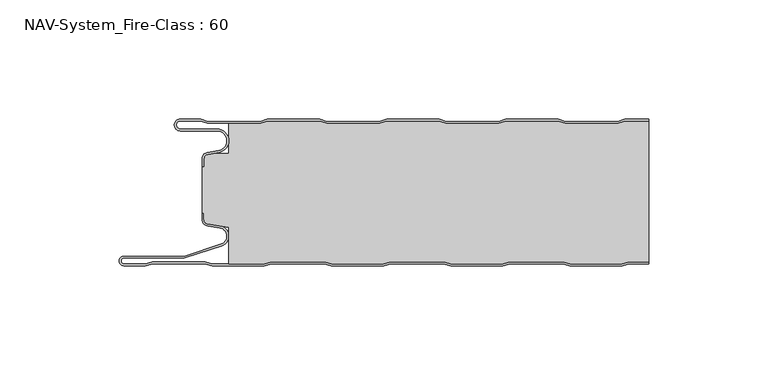
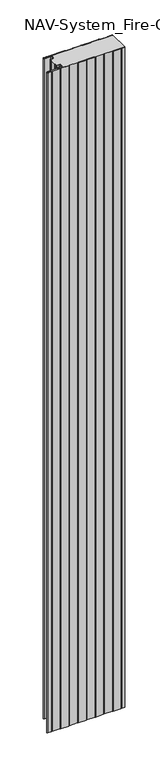
"""IFC4 building model written with IfcOpenShell, lengths in millimetres: plate geometry, NAV-System_Fire-Class : 60."""

from ifc_helpers import new_model, si_unit, frame, origin, place, context, project, spatial, polyline, circle_curve, source, transform, mapped, element, save
from ifc_brep_helpers import plane_surface, cylinder_surface, revolved_surface, advanced_brep


def nav_system_fire_class_60_ad63fec4(model_context):
    return source(origin(), model_context, "Body", "AdvancedBrep", [
        advanced_brep(
        [(-88.6298221, -0.8, 0.0), (-97.0000001, -0.8, 0.0), (-97.0000001, -4.1999999, 0.0), (-81.6002086, -4.1999999, 0.0), (-80.7423864, -14.0049502, 0.0), (-85.6125665, -14.8636946, 0.0), (-87.1000004, -16.6363494, 0.0), (-87.1000014, -19.9421291, 0.0), (-87.9000014, -19.9421291, 0.0), (-87.9000014, -16.6363484, 0.0), (-85.7514853, -14.0758488, 0.0), (-80.8813015, -13.217104, 0.0), (-81.600205, -4.9999999, 0.0), (-97.0000001, -4.9999999, 0.0), (-97.0000001, 0.0, 0.0), (-88.5, 0.0, 0.0), (-85.5, -1.0, 0.0), (-63.5, -1.0, 0.0), (-60.5, 0.0, 0.0), (-38.5, 0.0, 0.0), (-35.5, -1.0, 0.0), (-13.5, -1.0, 0.0), (-10.5, 0.0, 0.0), (11.5, 0.0, 0.0), (14.5, -1.0, 0.0), (36.5, -1.0, 0.0), (39.5, 0.0, 0.0), (61.5, 0.0, 0.0), (64.5, -1.0, 0.0), (86.5, -1.0, 0.0), (89.5, 0.0, 0.0), (99.5, 0.0, 0.0), (99.5, -0.8, 0.0), (89.6298221, -0.8, 0.0), (86.6298221, -1.8, 0.0), (64.3701779, -1.8, 0.0), (61.3701779, -0.8, 0.0), (39.6298221, -0.8, 0.0), (36.6298221, -1.8, 0.0), (14.3701779, -1.8, 0.0), (11.3701779, -0.8, 0.0), (-10.3701779, -0.8, 0.0), (-13.3701779, -1.8, 0.0), (-35.6298221, -1.8, 0.0), (-38.6298221, -0.8, 0.0), (-60.3701779, -0.8, 0.0), (-63.3701779, -1.8, 0.0), (-85.6298221, -1.8, 0.0), (-88.6298221, -0.8, 2000.0), (-85.6298221, -1.8, 2000.0), (-63.3701779, -1.8, 2000.0), (-60.3701779, -0.8, 2000.0), (-38.6298221, -0.8, 2000.0), (-35.6298221, -1.8, 2000.0), (-13.3701779, -1.8, 2000.0), (-10.3701779, -0.8, 2000.0), (11.3701779, -0.8, 2000.0), (14.3701779, -1.8, 2000.0), (36.6298221, -1.8, 2000.0), (39.6298221, -0.8, 2000.0), (61.3701779, -0.8, 2000.0), (64.3701779, -1.8, 2000.0), (86.6298221, -1.8, 2000.0), (89.6298221, -0.8, 2000.0), (99.5, -0.8, 2000.0), (99.5, 0.0, 2000.0), (89.5, 0.0, 2000.0), (86.5, -1.0, 2000.0), (64.5, -1.0, 2000.0), (61.5, 0.0, 2000.0), (39.5, 0.0, 2000.0), (36.5, -1.0, 2000.0), (14.5, -1.0, 2000.0), (11.5, 0.0, 2000.0), (-10.5, 0.0, 2000.0), (-13.5, -1.0, 2000.0), (-35.5, -1.0, 2000.0), (-38.5, 0.0, 2000.0), (-60.5, 0.0, 2000.0), (-63.5, -1.0, 2000.0), (-85.5, -1.0, 2000.0), (-88.5, 0.0, 2000.0), (-97.0000001, 0.0, 2000.0), (-97.0000001, -4.9999999, 2000.0), (-81.600205, -4.9999999, 2000.0), (-80.8813015, -13.217104, 2000.0), (-85.7514853, -14.0758488, 2000.0), (-87.8999997, -16.6363484, 2000.0), (-87.9000014, -19.9421291, 2000.0), (-87.1000014, -19.9421291, 2000.0), (-87.1000014, -16.6363494, 2000.0), (-85.6125665, -14.8636946, 2000.0), (-80.7423864, -14.0049502, 2000.0), (-81.6002086, -4.1999999, 2000.0), (-97.0000001, -4.1999999, 2000.0), (-97.0000001, -0.8000002, 2000.0)],
        [
            (0, 1),
            (1, 2, circle_curve(frame((-97.0000001, -2.5, 0.0), z_axis=(0.0, 0.0, 1.0), x_axis=(1.0, 0.0, 0.0)), 1.6999999)),
            (2, 3),
            (3, 4, circle_curve(frame((-81.6002086, -9.1399999, 0.0), z_axis=(0.0, 0.0, -1.0), x_axis=(1.0, 0.0, 0.0)), 4.94)),
            (4, 5),
            (5, 6, circle_curve(frame((-85.2999995, -16.6363494, 0.0), z_axis=(0.0, 0.0, 1.0), x_axis=(1.0, 0.0, 0.0)), 1.8000009)),
            (6, 7),
            (7, 8),
            (8, 9),
            (9, 10, circle_curve(frame((-85.3000002, -16.6363484, 0.0), z_axis=(0.0, 0.0, -1.0), x_axis=(1.0, 0.0, 0.0)), 2.5999995)),
            (10, 11),
            (11, 12, circle_curve(frame((-81.600205, -9.1399999, 0.0), z_axis=(0.0, 0.0, 1.0), x_axis=(1.0, 0.0, 0.0)), 4.14)),
            (12, 13),
            (13, 14, circle_curve(frame((-97.0000001, -2.4999999, 0.0), z_axis=(0.0, 0.0, -1.0), x_axis=(1.0, 0.0, 0.0)), 2.4999999)),
            (14, 15),
            (15, 16),
            (16, 17),
            (17, 18),
            (18, 19),
            (19, 20),
            (20, 21),
            (21, 22),
            (22, 23),
            (23, 24),
            (24, 25),
            (25, 26),
            (26, 27),
            (27, 28),
            (28, 29),
            (29, 30),
            (30, 31),
            (31, 32),
            (32, 33),
            (33, 34),
            (34, 35),
            (35, 36),
            (36, 37),
            (37, 38),
            (38, 39),
            (39, 40),
            (40, 41),
            (41, 42),
            (42, 43),
            (43, 44),
            (44, 45),
            (45, 46),
            (46, 47),
            (47, 0),
            (48, 49),
            (49, 50),
            (50, 51),
            (51, 52),
            (52, 53),
            (53, 54),
            (54, 55),
            (55, 56),
            (56, 57),
            (57, 58),
            (58, 59),
            (59, 60),
            (60, 61),
            (61, 62),
            (62, 63),
            (63, 64),
            (64, 65),
            (65, 66),
            (66, 67),
            (67, 68),
            (68, 69),
            (69, 70),
            (70, 71),
            (71, 72),
            (72, 73),
            (73, 74),
            (74, 75),
            (75, 76),
            (76, 77),
            (77, 78),
            (78, 79),
            (79, 80),
            (80, 81),
            (81, 82),
            (82, 83, circle_curve(frame((-97.0000001, -2.4999999, 2000.0), z_axis=(0.0, 0.0, 1.0), x_axis=(1.0, 0.0, 0.0)), 2.4999999)),
            (83, 84),
            (84, 85, circle_curve(frame((-81.600205, -9.1399999, 2000.0), z_axis=(0.0, 0.0, -1.0), x_axis=(1.0, 0.0, 0.0)), 4.14)),
            (85, 86),
            (86, 87, circle_curve(frame((-85.3000002, -16.6363484, 2000.0), z_axis=(0.0, 0.0, 1.0), x_axis=(1.0, 0.0, 0.0)), 2.5999995)),
            (87, 88),
            (88, 89),
            (89, 90),
            (90, 91, circle_curve(frame((-85.2999995, -16.6363494, 2000.0), z_axis=(0.0, 0.0, -1.0), x_axis=(1.0, 0.0, 0.0)), 1.8000009)),
            (91, 92),
            (92, 93, circle_curve(frame((-81.6002086, -9.1399999, 2000.0), z_axis=(0.0, 0.0, 1.0), x_axis=(1.0, 0.0, 0.0)), 4.94)),
            (93, 94),
            (94, 95, circle_curve(frame((-97.0000001, -2.5, 2000.0), z_axis=(0.0, 0.0, -1.0), x_axis=(1.0, 0.0, 0.0)), 1.6999999)),
            (95, 48),
            (0, 48),
            (95, 1),
            (14, 82),
            (81, 15),
            (63, 33),
            (32, 64),
            (62, 34),
            (61, 35),
            (60, 36),
            (59, 37),
            (58, 38),
            (57, 39),
            (56, 40),
            (55, 41),
            (54, 42),
            (53, 43),
            (52, 44),
            (51, 45),
            (50, 46),
            (49, 47),
            (80, 16),
            (79, 17),
            (78, 18),
            (77, 19),
            (76, 20),
            (75, 21),
            (74, 22),
            (73, 23),
            (72, 24),
            (71, 25),
            (70, 26),
            (69, 27),
            (68, 28),
            (67, 29),
            (66, 30),
            (65, 31),
            (2, 94),
            (93, 3),
            (6, 90),
            (89, 7),
            (88, 8),
            (87, 9),
            (12, 84),
            (83, 13),
            (92, 4),
            (91, 5),
            (86, 10),
            (85, 11),
        ],
        [
            plane_surface(frame((-99.5, 0.0, 0.0), z_axis=(0.0, 0.0, -1.0), x_axis=(0.0, -1.0, 0.0))),
            plane_surface(frame((-99.5, 0.0, 2000.0), z_axis=(0.0, 0.0, 1.0), x_axis=(0.0, -1.0, 0.0))),
            plane_surface(frame((-88.6298221, -0.8, 0.0), z_axis=(0.0, -1.0, 0.0), x_axis=(0.0, 0.0, 1.0))),
            plane_surface(frame((-97.0000001, 0.0, 0.0), z_axis=(0.0, 1.0, 0.0), x_axis=(0.0, 0.0, 1.0))),
            plane_surface(frame((111.3701779, -0.8, 0.0), z_axis=(0.0, -1.0, 0.0), x_axis=(0.0, 0.0, 1.0))),
            plane_surface(frame((89.6298221, -0.8, 0.0), z_axis=(0.3162277660167413, -0.9486832980505461, 0.0), x_axis=(0.0, 0.0, 1.0))),
            plane_surface(frame((86.6298221, -1.8, 0.0), z_axis=(0.0, -1.0, 0.0), x_axis=(0.0, 0.0, 1.0))),
            plane_surface(frame((64.3701779, -1.8, 0.0), z_axis=(-0.31622776601675356, -0.948683298050542, 0.0), x_axis=(0.0, 0.0, 1.0))),
            plane_surface(frame((61.3701779, -0.8, 0.0), z_axis=(0.0, -1.0, 0.0), x_axis=(0.0, 0.0, 1.0))),
            plane_surface(frame((39.6298221, -0.8, 0.0), z_axis=(0.31622776601679226, -0.9486832980505291, 0.0), x_axis=(0.0, 0.0, 1.0))),
            plane_surface(frame((36.6298221, -1.8, 0.0), z_axis=(0.0, -1.0, 0.0), x_axis=(0.0, 0.0, 1.0))),
            plane_surface(frame((14.3701779, -1.8, 0.0), z_axis=(-0.3162277660168045, -0.948683298050525, 0.0), x_axis=(0.0, 0.0, 1.0))),
            plane_surface(frame((11.3701779, -0.8, 0.0), z_axis=(0.0, -1.0, 0.0), x_axis=(0.0, 0.0, 1.0))),
            plane_surface(frame((-10.3701779, -0.8, 0.0), z_axis=(0.31622776601679226, -0.9486832980505291, 0.0), x_axis=(0.0, 0.0, 1.0))),
            plane_surface(frame((-13.3701779, -1.8, 0.0), z_axis=(0.0, -1.0, 0.0), x_axis=(0.0, 0.0, 1.0))),
            plane_surface(frame((-35.6298221, -1.8, 0.0), z_axis=(-0.3162277660168045, -0.948683298050525, 0.0), x_axis=(0.0, 0.0, 1.0))),
            plane_surface(frame((-38.6298221, -0.8, 0.0), z_axis=(0.0, -1.0, 0.0), x_axis=(0.0, 0.0, 1.0))),
            plane_surface(frame((-60.3701779, -0.8, 0.0), z_axis=(0.3162277660167413, -0.9486832980505461, 0.0), x_axis=(0.0, 0.0, 1.0))),
            plane_surface(frame((-63.3701779, -1.8, 0.0), z_axis=(0.0, -1.0, 0.0), x_axis=(0.0, 0.0, 1.0))),
            plane_surface(frame((-85.6298221, -1.8, 0.0), z_axis=(-0.3162277660167413, -0.9486832980505461, 0.0), x_axis=(0.0, 0.0, 1.0))),
            plane_surface(frame((-88.5, 0.0, 0.0), z_axis=(0.31622776601671865, 0.9486832980505536, 0.0), x_axis=(0.0, 0.0, 1.0))),
            plane_surface(frame((-85.5, -1.0, 0.0), z_axis=(0.0, 1.0, 0.0), x_axis=(0.0, 0.0, 1.0))),
            plane_surface(frame((-63.5, -1.0, 0.0), z_axis=(-0.31622776601671865, 0.9486832980505536, 0.0), x_axis=(0.0, 0.0, 1.0))),
            plane_surface(frame((-60.5, 0.0, 0.0), z_axis=(0.0, 1.0, 0.0), x_axis=(0.0, 0.0, 1.0))),
            plane_surface(frame((-38.5, 0.0, 0.0), z_axis=(0.31622776601678754, 0.9486832980505306, 0.0), x_axis=(0.0, 0.0, 1.0))),
            plane_surface(frame((-35.5, -1.0, 0.0), z_axis=(0.0, 1.0, 0.0), x_axis=(0.0, 0.0, 1.0))),
            plane_surface(frame((-13.5, -1.0, 0.0), z_axis=(-0.3162277660167752, 0.9486832980505348, 0.0), x_axis=(0.0, 0.0, 1.0))),
            plane_surface(frame((-10.5, 0.0, 0.0), z_axis=(0.0, 1.0, 0.0), x_axis=(0.0, 0.0, 1.0))),
            plane_surface(frame((11.5, 0.0, 0.0), z_axis=(0.31622776601678754, 0.9486832980505306, 0.0), x_axis=(0.0, 0.0, 1.0))),
            plane_surface(frame((14.5, -1.0, 0.0), z_axis=(0.0, 1.0, 0.0), x_axis=(0.0, 0.0, 1.0))),
            plane_surface(frame((36.5, -1.0, 0.0), z_axis=(-0.3162277660167752, 0.9486832980505348, 0.0), x_axis=(0.0, 0.0, 1.0))),
            plane_surface(frame((39.5, 0.0, 0.0), z_axis=(0.0, 1.0, 0.0), x_axis=(0.0, 0.0, 1.0))),
            plane_surface(frame((61.5, 0.0, 0.0), z_axis=(0.3162277660167309, 0.9486832980505495, 0.0), x_axis=(0.0, 0.0, 1.0))),
            plane_surface(frame((64.5, -1.0, 0.0), z_axis=(0.0, 1.0, 0.0), x_axis=(0.0, 0.0, 1.0))),
            plane_surface(frame((86.5, -1.0, 0.0), z_axis=(-0.31622776601671865, 0.9486832980505536, 0.0), x_axis=(0.0, 0.0, 1.0))),
            plane_surface(frame((89.5, 0.0, 0.0), z_axis=(0.0, 1.0, 0.0), x_axis=(0.0, 0.0, 1.0))),
            plane_surface(frame((-97.0000001, -4.1999999, 0.0), z_axis=(0.0, 1.0, 0.0), x_axis=(0.0, 0.0, 1.0))),
            plane_surface(frame((-87.1000014, -16.6363494, 0.0), z_axis=(1.0, 0.0, 0.0), x_axis=(0.0, 0.0, 1.0))),
            plane_surface(frame((-87.1000014, -19.9421291, 0.0), z_axis=(0.0, -1.0, 0.0), x_axis=(0.0, 0.0, 1.0))),
            plane_surface(frame((-87.9000014, -19.9421291, 0.0), z_axis=(-1.0, 0.0, 0.0), x_axis=(0.0, 0.0, 1.0))),
            plane_surface(frame((-81.600205, -4.9999999, 0.0), z_axis=(0.0, -1.0, 0.0), x_axis=(0.0, 0.0, 1.0))),
            revolved_surface(polyline([(-95.3000002, -2.5, 2000.0), (-95.3000002, -2.5, 0.0)]), (-97.0000001, -2.5, 0.0), (0.0, 0.0, 1.0)),
            cylinder_surface(frame((-81.6002086, -9.1399999, 0.0), z_axis=(0.0, 0.0, -1.0), x_axis=(1.0, 0.0, 0.0)), 4.94),
            plane_surface(frame((-80.7423864, -14.0049502, 0.0), z_axis=(0.17364822279076972, -0.9848077450556567, 0.0), x_axis=(0.0, 0.0, 1.0))),
            revolved_surface(polyline([(-83.4999986, -16.6363494, 2000.0), (-83.4999986, -16.6363494, 0.0)]), (-85.2999995, -16.6363494, 0.0), (0.0, 0.0, 1.0)),
            cylinder_surface(frame((-85.3000002, -16.6363484, 0.0), z_axis=(0.0, 0.0, -1.0), x_axis=(1.0, 0.0, 0.0)), 2.5999995),
            plane_surface(frame((-85.7514853, -14.0758488, 0.0), z_axis=(-0.17364817295915452, 0.984807753842316, 0.0), x_axis=(0.0, 0.0, 1.0))),
            revolved_surface(polyline([(-77.460205, -9.1399999, 2000.0), (-77.460205, -9.1399999, 0.0)]), (-81.600205, -9.1399999, 0.0), (0.0, 0.0, 1.0)),
            cylinder_surface(frame((-97.0000001, -2.4999999, 0.0), z_axis=(0.0, 0.0, -1.0), x_axis=(1.0, 0.0, 0.0)), 2.4999999),
            plane_surface(frame((99.5, 100.0, 2000.0), z_axis=(1.0, 0.0, 0.0), x_axis=(0.0, 0.0, -1.0))),
        ],
        [
            (0, [[1, 2, 3, 4, 5, 6, 7, 8, 9, 10, 11, 12, 13, 14, 15, 16, 17, 18, 19, 20, 21, 22, 23, 24, 25, 26, 27, 28, 29, 30, 31, 32, 33, 34, 35, 36, 37, 38, 39, 40, 41, 42, 43, 44, 45, 46, 47, 48]]),
            (1, [[49, 50, 51, 52, 53, 54, 55, 56, 57, 58, 59, 60, 61, 62, 63, 64, 65, 66, 67, 68, 69, 70, 71, 72, 73, 74, 75, 76, 77, 78, 79, 80, 81, 82, 83, 84, 85, 86, 87, 88, 89, 90, 91, 92, 93, 94, 95, 96]]),
            (2, [[-1, 97, -96, 98]]),
            (3, [[-15, 99, -82, 100]]),
            (4, [[101, -33, 102, -64]]),
            (5, [[-34, -101, -63, 103]]),
            (6, [[-35, -103, -62, 104]]),
            (7, [[-36, -104, -61, 105]]),
            (8, [[-37, -105, -60, 106]]),
            (9, [[-38, -106, -59, 107]]),
            (10, [[-39, -107, -58, 108]]),
            (11, [[-40, -108, -57, 109]]),
            (12, [[-41, -109, -56, 110]]),
            (13, [[-42, -110, -55, 111]]),
            (14, [[-43, -111, -54, 112]]),
            (15, [[-44, -112, -53, 113]]),
            (16, [[-45, -113, -52, 114]]),
            (17, [[-46, -114, -51, 115]]),
            (18, [[-47, -115, -50, 116]]),
            (19, [[-48, -116, -49, -97]]),
            (20, [[-16, -100, -81, 117]]),
            (21, [[-17, -117, -80, 118]]),
            (22, [[-18, -118, -79, 119]]),
            (23, [[-19, -119, -78, 120]]),
            (24, [[-20, -120, -77, 121]]),
            (25, [[-21, -121, -76, 122]]),
            (26, [[-22, -122, -75, 123]]),
            (27, [[-23, -123, -74, 124]]),
            (28, [[-24, -124, -73, 125]]),
            (29, [[-25, -125, -72, 126]]),
            (30, [[-26, -126, -71, 127]]),
            (31, [[-27, -127, -70, 128]]),
            (32, [[-28, -128, -69, 129]]),
            (33, [[-29, -129, -68, 130]]),
            (34, [[-30, -130, -67, 131]]),
            (35, [[-131, -66, 132, -31]]),
            (36, [[-3, 133, -94, 134]]),
            (37, [[-7, 135, -90, 136]]),
            (38, [[-8, -136, -89, 137]]),
            (39, [[-9, -137, -88, 138]]),
            (40, [[-13, 139, -84, 140]]),
            (41, [[-2, -98, -95, -133]]),
            (42, [[-4, -134, -93, 141]]),
            (43, [[-5, -141, -92, 142]]),
            (44, [[-6, -142, -91, -135]]),
            (45, [[-10, -138, -87, 143]]),
            (46, [[-11, -143, -86, 144]]),
            (47, [[-12, -144, -85, -139]]),
            (48, [[-14, -140, -83, -99]]),
            (49, [[-32, -132, -65, -102]]),
        ],
    ),
        advanced_brep(
        [(89.6181262, -0.8, 2000.0), (86.6181262, -1.8, 2000.0), (64.3584819, -1.8, 2000.0), (61.3584819, -0.8, 2000.0), (39.6181262, -0.8, 2000.0), (36.6181262, -1.8, 2000.0), (14.3584819, -1.8, 2000.0), (11.3584819, -0.8, 2000.0), (-10.3818738, -0.8, 2000.0), (-13.3818738, -1.8, 2000.0), (-35.6415181, -1.8, 2000.0), (-38.6415181, -0.8, 2000.0), (-60.3818738, -0.8, 2000.0), (-63.3818738, -1.8, 2000.0), (-76.6719045, -1.8, 2000.0), (-76.6719045, -14.4343223, 2000.0), (-83.1891722, -14.4343223, 2000.0), (-85.6242625, -14.8636946, 2000.0), (-87.1116964, -16.636349, 2000.0), (-87.1116974, -19.9512003, 2000.0), (-87.9116974, -19.9512003, 2000.0), (-87.9116974, -39.3983656, 2000.0), (-87.1116974, -39.3983656, 2000.0), (-87.1116974, -42.1656409, 2000.0), (-85.4245663, -44.1410176, 2000.0), (-76.6248082, -45.5347623, 2000.0), (-76.6248082, -60.8, 2000.0), (-61.8218295, -60.8, 2000.0), (-58.7610803, -60.0, 2000.0), (-36.5891849, -60.0, 2000.0), (-33.5284357, -60.8, 2000.0), (-11.8218295, -60.8, 2000.0), (-8.7610803, -60.0, 2000.0), (13.4108151, -60.0, 2000.0), (16.4715643, -60.8, 2000.0), (38.1904, -60.8, 2000.0), (41.2511493, -60.0, 2000.0), (63.4108151, -60.0, 2000.0), (66.4715643, -60.8, 2000.0), (88.1781705, -60.8, 2000.0), (91.2389197, -60.0, 2000.0), (99.5, -60.0, 2000.0), (99.5, -0.8, 2000.0), (91.2389197, -60.0, 0.0), (88.1781705, -60.8, 0.0), (66.4715643, -60.8, 0.0), (63.4108151, -60.0, 0.0), (41.2511493, -60.0, 0.0), (38.1904, -60.8, 0.0), (16.4715643, -60.8, 0.0), (13.4108151, -60.0, 0.0), (-8.7610803, -60.0, 0.0), (-11.8218295, -60.8, 0.0), (-33.5284357, -60.8, 0.0), (-36.5891849, -60.0, 0.0), (-58.7610803, -60.0, 0.0), (-61.8218295, -60.8, 0.0), (-76.6248082, -60.8, 0.0), (-76.6248082, -45.5347623, 0.0), (-85.4245663, -44.1410176, 0.0), (-87.1116974, -42.1656409, 0.0), (-87.1116974, -39.3983656, 0.0), (-87.9116974, -39.3983656, 0.0), (-87.9116974, -19.9512003, 0.0), (-87.1116974, -19.9512003, 0.0), (-87.1116974, -16.636349, 0.0), (-85.6242625, -14.8636946, 0.0), (-83.1891722, -14.4343223, 0.0), (-76.6719045, -14.4343223, 0.0), (-76.6719045, -1.8, 0.0), (-63.3818738, -1.8, 0.0), (-60.3818738, -0.8, 0.0), (-38.6415181, -0.8, 0.0), (-35.6415181, -1.8, 0.0), (-13.3818738, -1.8, 0.0), (-10.3818738, -0.8, 0.0), (11.3584819, -0.8, 0.0), (14.3584819, -1.8, 0.0), (36.6181262, -1.8, 0.0), (39.6181262, -0.8, 0.0), (61.3584819, -0.8, 0.0), (64.3584819, -1.8, 0.0), (86.6181262, -1.8, 0.0), (89.6181262, -0.8, 0.0), (99.5, -0.8, 0.0), (99.5, -60.0, 0.0)],
        [
            (0, 1),
            (1, 2),
            (2, 3),
            (3, 4),
            (4, 5),
            (5, 6),
            (6, 7),
            (7, 8),
            (8, 9),
            (9, 10),
            (10, 11),
            (11, 12),
            (12, 13),
            (13, 14),
            (14, 15),
            (15, 16),
            (16, 17),
            (17, 18, circle_curve(frame((-85.3116955, -16.6363494, 2000.0), z_axis=(0.0, 0.0, 1.0), x_axis=(1.0, 0.0, 0.0)), 1.8000009)),
            (18, 19),
            (19, 20),
            (20, 21),
            (21, 22),
            (22, 23),
            (23, 24, circle_curve(frame((-85.1116974, -42.1656409, 2000.0), z_axis=(0.0, 0.0, 1.0), x_axis=(1.0, 0.0, 0.0)), 2.0)),
            (24, 25),
            (25, 26),
            (26, 27),
            (27, 28),
            (28, 29),
            (29, 30),
            (30, 31),
            (31, 32),
            (32, 33),
            (33, 34),
            (34, 35),
            (35, 36),
            (36, 37),
            (37, 38),
            (38, 39),
            (39, 40),
            (40, 41),
            (41, 42),
            (42, 0),
            (43, 44),
            (44, 45),
            (45, 46),
            (46, 47),
            (47, 48),
            (48, 49),
            (49, 50),
            (50, 51),
            (51, 52),
            (52, 53),
            (53, 54),
            (54, 55),
            (55, 56),
            (56, 57),
            (57, 58),
            (58, 59),
            (59, 60, circle_curve(frame((-85.1116974, -42.1656409, 0.0), z_axis=(0.0, 0.0, -1.0), x_axis=(1.0, 0.0, 0.0)), 2.0)),
            (60, 61),
            (61, 62),
            (62, 63),
            (63, 64),
            (64, 65),
            (65, 66, circle_curve(frame((-85.3116955, -16.6363494, 0.0), z_axis=(0.0, 0.0, -1.0), x_axis=(1.0, 0.0, 0.0)), 1.8000009)),
            (66, 67),
            (67, 68),
            (68, 69),
            (69, 70),
            (70, 71),
            (71, 72),
            (72, 73),
            (73, 74),
            (74, 75),
            (75, 76),
            (76, 77),
            (77, 78),
            (78, 79),
            (79, 80),
            (80, 81),
            (81, 82),
            (82, 83),
            (83, 84),
            (84, 85),
            (85, 43),
            (83, 0),
            (42, 84),
            (82, 1),
            (81, 2),
            (80, 3),
            (79, 4),
            (78, 5),
            (77, 6),
            (76, 7),
            (75, 8),
            (74, 9),
            (73, 10),
            (72, 11),
            (71, 12),
            (70, 13),
            (69, 14),
            (68, 15),
            (67, 16),
            (66, 17),
            (65, 18),
            (64, 19),
            (63, 20),
            (62, 21),
            (61, 22),
            (60, 23),
            (59, 24),
            (58, 25),
            (57, 26),
            (56, 27),
            (55, 28),
            (54, 29),
            (53, 30),
            (52, 31),
            (51, 32),
            (50, 33),
            (49, 34),
            (48, 35),
            (47, 36),
            (46, 37),
            (45, 38),
            (44, 39),
            (43, 40),
            (85, 41),
        ],
        [
            plane_surface(frame((-99.5, 0.0, 2000.0), z_axis=(0.0, 0.0, 1.0), x_axis=(0.0, -1.0, 0.0))),
            plane_surface(frame((-99.5, 0.0, 0.0), z_axis=(0.0, 0.0, -1.0), x_axis=(0.0, -1.0, 0.0))),
            plane_surface(frame((111.3584819, -0.8, 2000.0), z_axis=(0.0, 1.0, 0.0), x_axis=(0.0, 0.0, -1.0))),
            plane_surface(frame((89.6181262, -0.8, 2000.0), z_axis=(-0.31622776601684405, 0.9486832980505119, 0.0), x_axis=(0.0, 0.0, -1.0))),
            plane_surface(frame((86.6181262, -1.8, 2000.0), z_axis=(0.0, 1.0, 0.0), x_axis=(0.0, 0.0, -1.0))),
            plane_surface(frame((64.3584819, -1.8, 2000.0), z_axis=(0.3162277660164755, 0.9486832980506347, 0.0), x_axis=(0.0, 0.0, -1.0))),
            plane_surface(frame((61.3584819, -0.8, 2000.0), z_axis=(0.0, 1.0, 0.0), x_axis=(0.0, 0.0, -1.0))),
            plane_surface(frame((39.6181262, -0.8, 2000.0), z_axis=(-0.3162277660169692, 0.94868329805047, 0.0), x_axis=(0.0, 0.0, -1.0))),
            plane_surface(frame((36.6181262, -1.8, 2000.0), z_axis=(0.0, 1.0, 0.0), x_axis=(0.0, 0.0, -1.0))),
            plane_surface(frame((14.3584819, -1.8, 2000.0), z_axis=(0.31622776601655256, 0.948683298050609, 0.0), x_axis=(0.0, 0.0, -1.0))),
            plane_surface(frame((11.3584819, -0.8, 2000.0), z_axis=(0.0, 1.0, 0.0), x_axis=(0.0, 0.0, -1.0))),
            plane_surface(frame((-10.3818738, -0.8, 2000.0), z_axis=(-0.31622776601696284, 0.9486832980504722, 0.0), x_axis=(0.0, 0.0, -1.0))),
            plane_surface(frame((-13.3818738, -1.8, 2000.0), z_axis=(0.0, 1.0, 0.0), x_axis=(0.0, 0.0, -1.0))),
            plane_surface(frame((-35.6415181, -1.8, 2000.0), z_axis=(0.31622776601661995, 0.9486832980505865, 0.0), x_axis=(0.0, 0.0, -1.0))),
            plane_surface(frame((-38.6415181, -0.8, 2000.0), z_axis=(0.0, 1.0, 0.0), x_axis=(0.0, 0.0, -1.0))),
            plane_surface(frame((-60.3818738, -0.8, 2000.0), z_axis=(-0.3162277660168055, 0.9486832980505246, 0.0), x_axis=(0.0, 0.0, -1.0))),
            plane_surface(frame((-63.3818738, -1.8, 2000.0), z_axis=(0.0, 1.0, 0.0), x_axis=(0.0, 0.0, -1.0))),
            plane_surface(frame((-76.6719045, -1.8, 2000.0), z_axis=(-1.0, 0.0, 0.0), x_axis=(0.0, 0.0, -1.0))),
            plane_surface(frame((-76.6719045, -14.4343223, 2000.0), z_axis=(0.0, 1.0, 0.0), x_axis=(0.0, 0.0, -1.0))),
            plane_surface(frame((-83.1891722, -14.4343223, 2000.0), z_axis=(-0.17364822279077605, 0.9848077450556556, 0.0), x_axis=(0.0, 0.0, -1.0))),
            cylinder_surface(frame((-85.3116955, -16.6363494, 2000.0), z_axis=(0.0, 0.0, 1.0), x_axis=(1.0, 0.0, 0.0)), 1.8000009),
            plane_surface(frame((-87.1116974, -16.636349, 2000.0), z_axis=(-1.0, 0.0, 0.0), x_axis=(0.0, 0.0, -1.0))),
            plane_surface(frame((-87.1116974, -19.9512003, 2000.0), z_axis=(0.0, 1.0, 0.0), x_axis=(0.0, 0.0, -1.0))),
            plane_surface(frame((-87.9116974, -19.9512003, 2000.0), z_axis=(-1.0, 0.0, 0.0), x_axis=(0.0, 0.0, -1.0))),
            plane_surface(frame((-87.9116974, -39.3983656, 2000.0), z_axis=(0.0, -1.0, 0.0), x_axis=(0.0, 0.0, -1.0))),
            plane_surface(frame((-87.1116974, -39.3983656, 2000.0), z_axis=(-1.0, 0.0, 0.0), x_axis=(0.0, 0.0, -1.0))),
            cylinder_surface(frame((-85.1116974, -42.1656409, 2000.0), z_axis=(0.0, 0.0, 1.0), x_axis=(1.0, 0.0, 0.0)), 2.0),
            plane_surface(frame((-85.4245663, -44.1410176, 2000.0), z_axis=(-0.15643446503999506, -0.9876883405951751, 0.0), x_axis=(0.0, 0.0, -1.0))),
            plane_surface(frame((-76.6248082, -45.5347623, 2000.0), z_axis=(-1.0, 0.0, 0.0), x_axis=(0.0, 0.0, -1.0))),
            plane_surface(frame((-76.6248082, -60.8, 2000.0), z_axis=(0.0, -1.0, 0.0), x_axis=(0.0, 0.0, -1.0))),
            plane_surface(frame((-61.8218295, -60.8, 2000.0), z_axis=(0.25287873100818087, -0.9674979831522608, 0.0), x_axis=(0.0, 0.0, -1.0))),
            plane_surface(frame((-58.7610803, -60.0, 2000.0), z_axis=(0.0, -1.0, 0.0), x_axis=(0.0, 0.0, -1.0))),
            plane_surface(frame((-36.5891849, -60.0, 2000.0), z_axis=(-0.25287873100938985, -0.9674979831519447, 0.0), x_axis=(0.0, 0.0, -1.0))),
            plane_surface(frame((-33.5284357, -60.8, 2000.0), z_axis=(0.0, -1.0, 0.0), x_axis=(0.0, 0.0, -1.0))),
            plane_surface(frame((-11.8218295, -60.8, 2000.0), z_axis=(0.2528787310082863, -0.9674979831522332, 0.0), x_axis=(0.0, 0.0, -1.0))),
            plane_surface(frame((-8.7610803, -60.0, 2000.0), z_axis=(0.0, -1.0, 0.0), x_axis=(0.0, 0.0, -1.0))),
            plane_surface(frame((13.4108151, -60.0, 2000.0), z_axis=(-0.25287873100843145, -0.9674979831521953, 0.0), x_axis=(0.0, 0.0, -1.0))),
            plane_surface(frame((16.4715643, -60.8, 2000.0), z_axis=(0.0, -1.0, 0.0), x_axis=(0.0, 0.0, -1.0))),
            plane_surface(frame((38.1904, -60.8, 2000.0), z_axis=(0.2528787310081133, -0.9674979831522784, 0.0), x_axis=(0.0, 0.0, -1.0))),
            plane_surface(frame((41.2511493, -60.0, 2000.0), z_axis=(0.0, -1.0, 0.0), x_axis=(0.0, 0.0, -1.0))),
            plane_surface(frame((63.4108151, -60.0, 2000.0), z_axis=(-0.25287873100834907, -0.9674979831522168, 0.0), x_axis=(0.0, 0.0, -1.0))),
            plane_surface(frame((66.4715643, -60.8, 2000.0), z_axis=(0.0, -1.0, 0.0), x_axis=(0.0, 0.0, -1.0))),
            plane_surface(frame((88.1781705, -60.8, 2000.0), z_axis=(0.2528787310082685, -0.9674979831522379, 0.0), x_axis=(0.0, 0.0, -1.0))),
            plane_surface(frame((91.2389197, -60.0, 2000.0), z_axis=(0.0, -1.0, 0.0), x_axis=(0.0, 0.0, -1.0))),
            plane_surface(frame((99.5, 100.0, 2000.0), z_axis=(1.0, 0.0, 0.0), x_axis=(0.0, 0.0, -1.0))),
        ],
        [
            (0, [[1, 2, 3, 4, 5, 6, 7, 8, 9, 10, 11, 12, 13, 14, 15, 16, 17, 18, 19, 20, 21, 22, 23, 24, 25, 26, 27, 28, 29, 30, 31, 32, 33, 34, 35, 36, 37, 38, 39, 40, 41, 42, 43]]),
            (1, [[44, 45, 46, 47, 48, 49, 50, 51, 52, 53, 54, 55, 56, 57, 58, 59, 60, 61, 62, 63, 64, 65, 66, 67, 68, 69, 70, 71, 72, 73, 74, 75, 76, 77, 78, 79, 80, 81, 82, 83, 84, 85, 86]]),
            (2, [[87, -43, 88, -84]]),
            (3, [[-1, -87, -83, 89]]),
            (4, [[-2, -89, -82, 90]]),
            (5, [[-3, -90, -81, 91]]),
            (6, [[-4, -91, -80, 92]]),
            (7, [[-5, -92, -79, 93]]),
            (8, [[-6, -93, -78, 94]]),
            (9, [[-7, -94, -77, 95]]),
            (10, [[-8, -95, -76, 96]]),
            (11, [[-9, -96, -75, 97]]),
            (12, [[-10, -97, -74, 98]]),
            (13, [[-11, -98, -73, 99]]),
            (14, [[-12, -99, -72, 100]]),
            (15, [[-13, -100, -71, 101]]),
            (16, [[-14, -101, -70, 102]]),
            (17, [[-15, -102, -69, 103]]),
            (18, [[-16, -103, -68, 104]]),
            (19, [[-17, -104, -67, 105]]),
            (20, [[-18, -105, -66, 106]]),
            (21, [[-19, -106, -65, 107]]),
            (22, [[-20, -107, -64, 108]]),
            (23, [[-21, -108, -63, 109]]),
            (24, [[-22, -109, -62, 110]]),
            (25, [[-23, -110, -61, 111]]),
            (26, [[-24, -111, -60, 112]]),
            (27, [[-25, -112, -59, 113]]),
            (28, [[-26, -113, -58, 114]]),
            (29, [[-27, -114, -57, 115]]),
            (30, [[-28, -115, -56, 116]]),
            (31, [[-29, -116, -55, 117]]),
            (32, [[-30, -117, -54, 118]]),
            (33, [[-31, -118, -53, 119]]),
            (34, [[-32, -119, -52, 120]]),
            (35, [[-33, -120, -51, 121]]),
            (36, [[-34, -121, -50, 122]]),
            (37, [[-35, -122, -49, 123]]),
            (38, [[-36, -123, -48, 124]]),
            (39, [[-37, -124, -47, 125]]),
            (40, [[-38, -125, -46, 126]]),
            (41, [[-39, -126, -45, 127]]),
            (42, [[-40, -127, -44, 128]]),
            (43, [[-128, -86, 129, -41]]),
            (44, [[-42, -129, -85, -88]]),
        ],
    ),
        advanced_brep(
        [(91.239397, -60.0, 2000.0), (88.1786477, -60.8, 2000.0), (66.4720416, -60.8, 2000.0), (63.4112923, -60.0, 2000.0), (41.2516265, -60.0, 2000.0), (38.1908772, -60.8, 2000.0), (16.4720416, -60.8, 2000.0), (13.4112923, -60.0, 2000.0), (-8.760603, -60.0, 2000.0), (-11.8213523, -60.8, 2000.0), (-33.5279584, -60.8, 2000.0), (-36.5887077, -60.0, 2000.0), (-58.760603, -60.0, 2000.0), (-61.8213523, -60.8, 2000.0), (-83.5279584, -60.8, 2000.0), (-86.5887077, -60.0, 2000.0), (-108.760603, -60.0, 2000.0), (-111.8190206, -60.7993906, 2000.0), (-120.7154182, -60.7993906, 2000.0), (-120.6771783, -58.4000003, 2000.0), (-95.3414726, -58.4000003, 2000.0), (-79.6231923, -53.2926893, 2000.0), (-80.2358126, -44.9629887, 2000.0), (-85.4240891, -44.1412465, 2000.0), (-87.1112201, -42.1658698, 2000.0), (-87.1112201, -39.3985945, 2000.0), (-87.9112201, -39.3985945, 2000.0), (-87.9112201, -42.1658698, 2000.0), (-85.5140582, -44.93674, 2000.0), (-80.4044746, -45.7460185, 2000.0), (-79.8704103, -52.5316172, 2000.0), (-95.4681798, -57.6000003, 2000.0), (-120.6771783, -57.6000003, 2000.0), (-120.726556, -61.5993906, 2000.0), (-111.7161981, -61.5993906, 2000.0), (-108.6577806, -60.8, 2000.0), (-86.6915302, -60.8, 2000.0), (-83.6307809, -61.6, 2000.0), (-61.7185298, -61.6, 2000.0), (-58.6577806, -60.8, 2000.0), (-36.6915302, -60.8, 2000.0), (-33.6307809, -61.6, 2000.0), (-11.7185298, -61.6, 2000.0), (-8.6577806, -60.8, 2000.0), (13.3084698, -60.8, 2000.0), (16.3692191, -61.6, 2000.0), (38.2936997, -61.6, 2000.0), (41.354449, -60.8, 2000.0), (63.3084698, -60.8, 2000.0), (66.3692191, -61.6, 2000.0), (88.2814702, -61.6, 2000.0), (91.3422194, -60.8, 2000.0), (99.5, -60.8, 2000.0), (99.5, -60.0, 2000.0), (91.3422194, -60.8, 0.0), (88.2814702, -61.6, 0.0), (66.3692191, -61.6, 0.0), (63.3084698, -60.8, 0.0), (41.354449, -60.8, 0.0), (38.2936997, -61.6, 0.0), (16.3692191, -61.6, 0.0), (13.3084698, -60.8, 0.0), (-8.6577806, -60.8, 0.0), (-11.7185298, -61.6, 0.0), (-33.6307809, -61.6, 0.0), (-36.6915302, -60.8, 0.0), (-58.6577806, -60.8, 0.0), (-61.7185298, -61.6, 0.0), (-83.6307809, -61.6, 0.0), (-86.6915302, -60.8, 0.0), (-108.6577806, -60.8, 0.0), (-111.7161981, -61.5993906, 0.0), (-120.726556, -61.5993906, 0.0), (-120.6771783, -57.6000003, 0.0), (-95.4681798, -57.6000003, 0.0), (-79.8704103, -52.5318461, 0.0), (-80.4044746, -45.7460185, 0.0), (-85.5140582, -44.93674, 0.0), (-87.9112201, -42.1658698, 0.0), (-87.9112201, -39.3985945, 0.0), (-87.1112201, -39.3985945, 0.0), (-87.1112201, -42.1658698, 0.0), (-85.4240891, -44.1412465, 0.0), (-80.2358126, -44.9629887, 0.0), (-79.6231923, -53.2924604, 0.0), (-95.3414726, -58.4000003, 0.0), (-120.6771783, -58.4000003, 0.0), (-120.7154182, -60.7993906, 0.0), (-111.8190206, -60.7993906, 0.0), (-108.760603, -60.0, 0.0), (-86.5887077, -60.0, 0.0), (-83.5279584, -60.8, 0.0), (-61.8213523, -60.8, 0.0), (-58.760603, -60.0, 0.0), (-36.5887077, -60.0, 0.0), (-33.5279584, -60.8, 0.0), (-11.8213523, -60.8, 0.0), (-8.760603, -60.0, 0.0), (13.4112923, -60.0, 0.0), (16.4720416, -60.8, 0.0), (38.1908772, -60.8, 0.0), (41.2516265, -60.0, 0.0), (63.4112923, -60.0, 0.0), (66.4720416, -60.8, 0.0), (88.1786477, -60.8, 0.0), (91.239397, -60.0, 0.0), (99.5, -60.0, 0.0), (99.5, -60.8, 0.0)],
        [
            (0, 1),
            (1, 2),
            (2, 3),
            (3, 4),
            (4, 5),
            (5, 6),
            (6, 7),
            (7, 8),
            (8, 9),
            (9, 10),
            (10, 11),
            (11, 12),
            (12, 13),
            (13, 14),
            (14, 15),
            (15, 16),
            (16, 17),
            (17, 18),
            (18, 19, circle_curve(frame((-120.6771783, -59.6000001, 2000.0), z_axis=(0.0, 0.0, -1.0), x_axis=(1.0, 0.0, 0.0)), 1.1999999)),
            (19, 20),
            (20, 21),
            (21, 22, circle_curve(frame((-80.9519964, -49.2029275, 2000.0), z_axis=(0.0, 0.0, 1.0), x_axis=(1.0, 0.0, 0.0)), 4.3)),
            (22, 23),
            (23, 24, circle_curve(frame((-85.1112201, -42.1658698, 2000.0), z_axis=(0.0, 0.0, -1.0), x_axis=(1.0, 0.0, 0.0)), 2.0)),
            (24, 25),
            (25, 26),
            (26, 27),
            (27, 28, circle_curve(frame((-85.1112201, -42.1658698, 2000.0), z_axis=(0.0, 0.0, 1.0), x_axis=(1.0, 0.0, 0.0)), 2.8)),
            (28, 29),
            (29, 30, circle_curve(frame((-80.9519952, -49.2029277, 2000.0), z_axis=(0.0, 0.0, -1.0), x_axis=(1.0, 0.0, 0.0)), 3.5)),
            (30, 31),
            (31, 32),
            (32, 33, circle_curve(frame((-120.6771783, -59.6000003, 2000.0), z_axis=(0.0, 0.0, 1.0), x_axis=(1.0, 0.0, 0.0)), 1.9999999)),
            (33, 34),
            (34, 35),
            (35, 36),
            (36, 37),
            (37, 38),
            (38, 39),
            (39, 40),
            (40, 41),
            (41, 42),
            (42, 43),
            (43, 44),
            (44, 45),
            (45, 46),
            (46, 47),
            (47, 48),
            (48, 49),
            (49, 50),
            (50, 51),
            (51, 52),
            (52, 53),
            (53, 0),
            (54, 55),
            (55, 56),
            (56, 57),
            (57, 58),
            (58, 59),
            (59, 60),
            (60, 61),
            (61, 62),
            (62, 63),
            (63, 64),
            (64, 65),
            (65, 66),
            (66, 67),
            (67, 68),
            (68, 69),
            (69, 70),
            (70, 71),
            (71, 72),
            (72, 73, circle_curve(frame((-120.6771783, -59.6000003, 0.0), z_axis=(0.0, 0.0, -1.0), x_axis=(1.0, 0.0, 0.0)), 1.9999999)),
            (73, 74),
            (74, 75),
            (75, 76, circle_curve(frame((-80.9519952, -49.2029277, 0.0), z_axis=(0.0, 0.0, 1.0), x_axis=(1.0, 0.0, 0.0)), 3.5)),
            (76, 77),
            (77, 78, circle_curve(frame((-85.1112201, -42.1658698, 0.0), z_axis=(0.0, 0.0, -1.0), x_axis=(1.0, 0.0, 0.0)), 2.8)),
            (78, 79),
            (79, 80),
            (80, 81),
            (81, 82, circle_curve(frame((-85.1112201, -42.1658698, 0.0), z_axis=(0.0, 0.0, 1.0), x_axis=(1.0, 0.0, 0.0)), 2.0)),
            (82, 83),
            (83, 84, circle_curve(frame((-80.9519964, -49.2029275, 0.0), z_axis=(0.0, 0.0, -1.0), x_axis=(1.0, 0.0, 0.0)), 4.3)),
            (84, 85),
            (85, 86),
            (86, 87, circle_curve(frame((-120.6771783, -59.6000001, 0.0), z_axis=(0.0, 0.0, 1.0), x_axis=(1.0, 0.0, 0.0)), 1.1999999)),
            (87, 88),
            (88, 89),
            (89, 90),
            (90, 91),
            (91, 92),
            (92, 93),
            (93, 94),
            (94, 95),
            (95, 96),
            (96, 97),
            (97, 98),
            (98, 99),
            (99, 100),
            (100, 101),
            (101, 102),
            (102, 103),
            (103, 104),
            (104, 105),
            (105, 106),
            (106, 107),
            (107, 54),
            (17, 88),
            (87, 18),
            (86, 19),
            (85, 20),
            (84, 21),
            (22, 83),
            (82, 23),
            (81, 24),
            (80, 25),
            (79, 26),
            (78, 27),
            (77, 28),
            (30, 75),
            (74, 31),
            (73, 32),
            (72, 33),
            (71, 34),
            (105, 0),
            (53, 106),
            (104, 1),
            (103, 2),
            (102, 3),
            (101, 4),
            (100, 5),
            (99, 6),
            (98, 7),
            (97, 8),
            (96, 9),
            (95, 10),
            (94, 11),
            (93, 12),
            (92, 13),
            (91, 14),
            (90, 15),
            (89, 16),
            (76, 29),
            (70, 35),
            (69, 36),
            (68, 37),
            (67, 38),
            (66, 39),
            (65, 40),
            (64, 41),
            (63, 42),
            (62, 43),
            (61, 44),
            (60, 45),
            (59, 46),
            (58, 47),
            (57, 48),
            (56, 49),
            (55, 50),
            (54, 51),
            (107, 52),
        ],
        [
            plane_surface(frame((-99.5, -61.6, 2000.0), z_axis=(0.0, 0.0, 1.0), x_axis=(-1.0, 0.0, 0.0))),
            plane_surface(frame((-99.5, -61.6, 0.0), z_axis=(0.0, 0.0, -1.0), x_axis=(-1.0, 0.0, 0.0))),
            plane_surface(frame((-111.8190206, -60.7993906, 2000.0), z_axis=(0.0, 1.0, 0.0), x_axis=(0.0, 0.0, -1.0))),
            revolved_surface(polyline([(-119.4771784, -59.6000001, 0.0), (-119.4771784, -59.6000001, 2000.0)]), (-120.6771783, -59.6000001, 2000.0), (0.0, 0.0, -1.0)),
            plane_surface(frame((-120.6771783, -58.4000003, 2000.0), z_axis=(0.0, -1.0, 0.0), x_axis=(0.0, 0.0, -1.0))),
            plane_surface(frame((-95.3414726, -58.4000003, 2000.0), z_axis=(0.30902422182651945, -0.9510541679234229, 0.0), x_axis=(0.0, 0.0, -1.0))),
            plane_surface(frame((-80.2358126, -44.9629887, 2000.0), z_axis=(0.15643446504003203, 0.9876883405951694, 0.0), x_axis=(0.0, 0.0, -1.0))),
            revolved_surface(polyline([(-83.1112201, -42.1658698, 0.0), (-83.1112201, -42.1658698, 2000.0)]), (-85.1112201, -42.1658698, 2000.0), (0.0, 0.0, -1.0)),
            plane_surface(frame((-87.1112201, -42.1658698, 2000.0), z_axis=(1.0, 0.0, 0.0), x_axis=(0.0, 0.0, -1.0))),
            plane_surface(frame((-87.1112201, -39.3985945, 2000.0), z_axis=(0.0, 1.0, 0.0), x_axis=(0.0, 0.0, -1.0))),
            plane_surface(frame((-87.9112201, -39.3985945, 2000.0), z_axis=(-1.0, 0.0, 0.0), x_axis=(0.0, 0.0, -1.0))),
            cylinder_surface(frame((-85.1112201, -42.1658698, 2000.0), z_axis=(0.0, 0.0, 1.0), x_axis=(1.0, 0.0, 0.0)), 2.8),
            plane_surface(frame((-79.8704103, -52.5318461, 2000.0), z_axis=(-0.3090242543637345, 0.9510541573511668, 0.0), x_axis=(0.0, 0.0, -1.0))),
            plane_surface(frame((-95.4681798, -57.6000003, 2000.0), z_axis=(0.0, 1.0, 0.0), x_axis=(0.0, 0.0, -1.0))),
            cylinder_surface(frame((-120.6771783, -59.6000003, 2000.0), z_axis=(0.0, 0.0, 1.0), x_axis=(1.0, 0.0, 0.0)), 1.9999999),
            plane_surface(frame((-120.726556, -61.5993906, 2000.0), z_axis=(0.0, -1.0, 0.0), x_axis=(0.0, 0.0, -1.0))),
            plane_surface(frame((113.4112923, -60.0, 2000.0), z_axis=(0.0, 1.0, 0.0), x_axis=(0.0, 0.0, -1.0))),
            plane_surface(frame((91.239397, -60.0, 2000.0), z_axis=(-0.25287873100816, 0.9674979831522662, 0.0), x_axis=(0.0, 0.0, -1.0))),
            plane_surface(frame((88.1786477, -60.8, 2000.0), z_axis=(0.0, 1.0, 0.0), x_axis=(0.0, 0.0, -1.0))),
            plane_surface(frame((66.4720416, -60.8, 2000.0), z_axis=(0.2528787310081598, 0.9674979831522662, 0.0), x_axis=(0.0, 0.0, -1.0))),
            plane_surface(frame((63.4112923, -60.0, 2000.0), z_axis=(0.0, 1.0, 0.0), x_axis=(0.0, 0.0, -1.0))),
            plane_surface(frame((41.2516265, -60.0, 2000.0), z_axis=(-0.25287873100816, 0.9674979831522662, 0.0), x_axis=(0.0, 0.0, -1.0))),
            plane_surface(frame((38.1908772, -60.8, 2000.0), z_axis=(0.0, 1.0, 0.0), x_axis=(0.0, 0.0, -1.0))),
            plane_surface(frame((16.4720416, -60.8, 2000.0), z_axis=(0.2528787310083406, 0.9674979831522191, 0.0), x_axis=(0.0, 0.0, -1.0))),
            plane_surface(frame((13.4112923, -60.0, 2000.0), z_axis=(0.0, 1.0, 0.0), x_axis=(0.0, 0.0, -1.0))),
            plane_surface(frame((-8.760603, -60.0, 2000.0), z_axis=(-0.25287873100834074, 0.9674979831522189, 0.0), x_axis=(0.0, 0.0, -1.0))),
            plane_surface(frame((-11.8213523, -60.8, 2000.0), z_axis=(0.0, 1.0, 0.0), x_axis=(0.0, 0.0, -1.0))),
            plane_surface(frame((-33.5279584, -60.8, 2000.0), z_axis=(0.2528787310081598, 0.9674979831522662, 0.0), x_axis=(0.0, 0.0, -1.0))),
            plane_surface(frame((-36.5887077, -60.0, 2000.0), z_axis=(0.0, 1.0, 0.0), x_axis=(0.0, 0.0, -1.0))),
            plane_surface(frame((-58.760603, -60.0, 2000.0), z_axis=(-0.25287873100816, 0.9674979831522662, 0.0), x_axis=(0.0, 0.0, -1.0))),
            plane_surface(frame((-61.8213523, -60.8, 2000.0), z_axis=(0.0, 1.0, 0.0), x_axis=(0.0, 0.0, -1.0))),
            plane_surface(frame((-83.5279584, -60.8, 2000.0), z_axis=(0.2528787310081598, 0.9674979831522662, 0.0), x_axis=(0.0, 0.0, -1.0))),
            plane_surface(frame((-86.5887077, -60.0, 2000.0), z_axis=(0.0, 1.0, 0.0), x_axis=(0.0, 0.0, -1.0))),
            plane_surface(frame((-108.760603, -60.0, 2000.0), z_axis=(-0.25287873100816, 0.9674979831522662, 0.0), x_axis=(0.0, 0.0, -1.0))),
            cylinder_surface(frame((-80.9519964, -49.2029275, 2000.0), z_axis=(0.0, 0.0, 1.0), x_axis=(1.0, 0.0, 0.0)), 4.3),
            plane_surface(frame((-85.5140582, -44.93674, 2000.0), z_axis=(-0.15643446504045883, -0.9876883405951018, 0.0), x_axis=(0.0, 0.0, -1.0))),
            revolved_surface(polyline([(-77.4519952, -49.2029277, 0.0), (-77.4519952, -49.2029277, 2000.0)]), (-80.9519952, -49.2029277, 2000.0), (0.0, 0.0, -1.0)),
            plane_surface(frame((-111.7161981, -61.5993906, 2000.0), z_axis=(0.25287873100765673, -0.9674979831523978, 0.0), x_axis=(0.0, 0.0, -1.0))),
            plane_surface(frame((-108.6577806, -60.8, 2000.0), z_axis=(0.0, -1.0, 0.0), x_axis=(0.0, 0.0, -1.0))),
            plane_surface(frame((-86.6915302, -60.8, 2000.0), z_axis=(-0.2528787310076565, -0.9674979831523979, 0.0), x_axis=(0.0, 0.0, -1.0))),
            plane_surface(frame((-83.6307809, -61.6, 2000.0), z_axis=(0.0, -1.0, 0.0), x_axis=(0.0, 0.0, -1.0))),
            plane_surface(frame((-61.7185298, -61.6, 2000.0), z_axis=(0.25287873100765673, -0.9674979831523978, 0.0), x_axis=(0.0, 0.0, -1.0))),
            plane_surface(frame((-58.6577806, -60.8, 2000.0), z_axis=(0.0, -1.0, 0.0), x_axis=(0.0, 0.0, -1.0))),
            plane_surface(frame((-36.6915302, -60.8, 2000.0), z_axis=(-0.2528787310078372, -0.9674979831523505, 0.0), x_axis=(0.0, 0.0, -1.0))),
            plane_surface(frame((-33.6307809, -61.6, 2000.0), z_axis=(0.0, -1.0, 0.0), x_axis=(0.0, 0.0, -1.0))),
            plane_surface(frame((-11.7185298, -61.6, 2000.0), z_axis=(0.2528787310078374, -0.9674979831523505, 0.0), x_axis=(0.0, 0.0, -1.0))),
            plane_surface(frame((-8.6577806, -60.8, 2000.0), z_axis=(0.0, -1.0, 0.0), x_axis=(0.0, 0.0, -1.0))),
            plane_surface(frame((13.3084698, -60.8, 2000.0), z_axis=(-0.2528787310078372, -0.9674979831523505, 0.0), x_axis=(0.0, 0.0, -1.0))),
            plane_surface(frame((16.3692191, -61.6, 2000.0), z_axis=(0.0, -1.0, 0.0), x_axis=(0.0, 0.0, -1.0))),
            plane_surface(frame((38.2936997, -61.6, 2000.0), z_axis=(0.2528787310083481, -0.967497983152217, 0.0), x_axis=(0.0, 0.0, -1.0))),
            plane_surface(frame((41.354449, -60.8, 2000.0), z_axis=(0.0, -1.0, 0.0), x_axis=(0.0, 0.0, -1.0))),
            plane_surface(frame((63.3084698, -60.8, 2000.0), z_axis=(-0.2528787310076565, -0.9674979831523979, 0.0), x_axis=(0.0, 0.0, -1.0))),
            plane_surface(frame((66.3692191, -61.6, 2000.0), z_axis=(0.0, -1.0, 0.0), x_axis=(0.0, 0.0, -1.0))),
            plane_surface(frame((88.2814702, -61.6, 2000.0), z_axis=(0.25287873100765673, -0.9674979831523978, 0.0), x_axis=(0.0, 0.0, -1.0))),
            plane_surface(frame((91.3422194, -60.8, 2000.0), z_axis=(0.0, -1.0, 0.0), x_axis=(0.0, 0.0, -1.0))),
            plane_surface(frame((99.5, 100.0, 2000.0), z_axis=(1.0, 0.0, 0.0), x_axis=(0.0, 0.0, -1.0))),
        ],
        [
            (0, [[1, 2, 3, 4, 5, 6, 7, 8, 9, 10, 11, 12, 13, 14, 15, 16, 17, 18, 19, 20, 21, 22, 23, 24, 25, 26, 27, 28, 29, 30, 31, 32, 33, 34, 35, 36, 37, 38, 39, 40, 41, 42, 43, 44, 45, 46, 47, 48, 49, 50, 51, 52, 53, 54]]),
            (1, [[55, 56, 57, 58, 59, 60, 61, 62, 63, 64, 65, 66, 67, 68, 69, 70, 71, 72, 73, 74, 75, 76, 77, 78, 79, 80, 81, 82, 83, 84, 85, 86, 87, 88, 89, 90, 91, 92, 93, 94, 95, 96, 97, 98, 99, 100, 101, 102, 103, 104, 105, 106, 107, 108]]),
            (2, [[-18, 109, -88, 110]]),
            (3, [[-19, -110, -87, 111]]),
            (4, [[-20, -111, -86, 112]]),
            (5, [[-21, -112, -85, 113]]),
            (6, [[-23, 114, -83, 115]]),
            (7, [[-24, -115, -82, 116]]),
            (8, [[-25, -116, -81, 117]]),
            (9, [[-26, -117, -80, 118]]),
            (10, [[-27, -118, -79, 119]]),
            (11, [[-28, -119, -78, 120]]),
            (12, [[-31, 121, -75, 122]]),
            (13, [[-32, -122, -74, 123]]),
            (14, [[-33, -123, -73, 124]]),
            (15, [[-34, -124, -72, 125]]),
            (16, [[126, -54, 127, -106]]),
            (17, [[-1, -126, -105, 128]]),
            (18, [[-2, -128, -104, 129]]),
            (19, [[-3, -129, -103, 130]]),
            (20, [[-4, -130, -102, 131]]),
            (21, [[-5, -131, -101, 132]]),
            (22, [[-6, -132, -100, 133]]),
            (23, [[-7, -133, -99, 134]]),
            (24, [[-8, -134, -98, 135]]),
            (25, [[-9, -135, -97, 136]]),
            (26, [[-10, -136, -96, 137]]),
            (27, [[-11, -137, -95, 138]]),
            (28, [[-12, -138, -94, 139]]),
            (29, [[-13, -139, -93, 140]]),
            (30, [[-14, -140, -92, 141]]),
            (31, [[-15, -141, -91, 142]]),
            (32, [[-16, -142, -90, 143]]),
            (33, [[-17, -143, -89, -109]]),
            (34, [[-22, -113, -84, -114]]),
            (35, [[-29, -120, -77, 144]]),
            (36, [[-30, -144, -76, -121]]),
            (37, [[-35, -125, -71, 145]]),
            (38, [[-36, -145, -70, 146]]),
            (39, [[-37, -146, -69, 147]]),
            (40, [[-38, -147, -68, 148]]),
            (41, [[-39, -148, -67, 149]]),
            (42, [[-40, -149, -66, 150]]),
            (43, [[-41, -150, -65, 151]]),
            (44, [[-42, -151, -64, 152]]),
            (45, [[-43, -152, -63, 153]]),
            (46, [[-44, -153, -62, 154]]),
            (47, [[-45, -154, -61, 155]]),
            (48, [[-46, -155, -60, 156]]),
            (49, [[-47, -156, -59, 157]]),
            (50, [[-48, -157, -58, 158]]),
            (51, [[-49, -158, -57, 159]]),
            (52, [[-50, -159, -56, 160]]),
            (53, [[-51, -160, -55, 161]]),
            (54, [[-161, -108, 162, -52]]),
            (55, [[-53, -162, -107, -127]]),
        ],
    ),
    ])


if __name__ == "__main__":
    model = new_model("IFC4")
    model_context = context("Model", 3, world=origin())
    ifc_project = project(units=[si_unit("LENGTHUNIT", "METRE", prefix="MILLI")], contexts=[model_context])
    site = spatial("IfcSite", under=ifc_project)
    building = spatial("IfcBuilding", under=site)
    placement = place(None, origin())
    nav_system_fire_class_60_shape = nav_system_fire_class_60_ad63fec4(model_context)
    element("IfcPlate", 1, ObjectType="NAV-System_Fire-Class : 60", at=placement, inside=building, context=model_context, shape_type="MappedRepresentation", body=[
        mapped(nav_system_fire_class_60_shape, transform((0.0, 0.0, 0.0), x_axis=(1.0, 0.0, 0.0), y_axis=(0.0, 1.0, 0.0), z_axis=(0.0, 0.0, 1.0))),
    ])
    save(model, "model.ifc")
